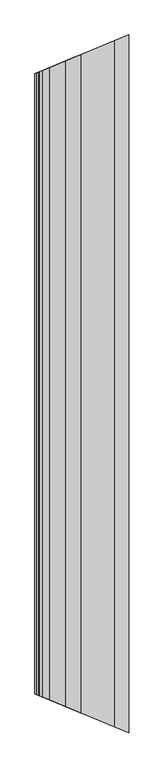
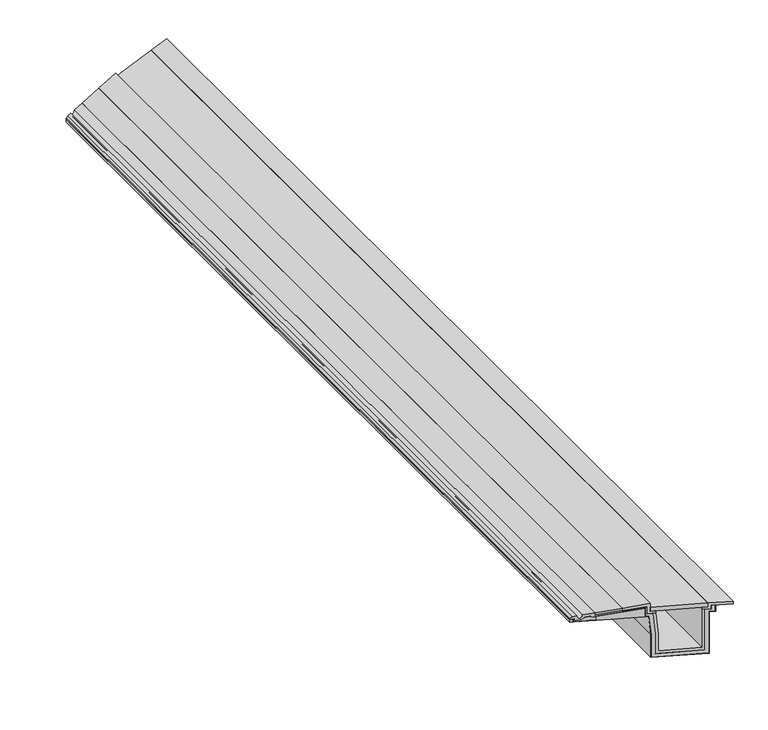
"""IFC4 building model written with IfcOpenShell, lengths in millimetres: proxy geometry."""

from ifc_helpers import new_model, si_unit, frame, origin, place, context, project, spatial, polyline, ellipse_curve, outline, extrude, faceted_brep, source, transform, mapped, element, save
from ifc_brep_helpers import plane_surface, revolved_surface, advanced_brep


def generic_models_f476f737(model_context):
    return source(origin(), model_context, "Body", "SolidModel", [
        faceted_brep([(15.0, 2456.2132034, 263.0859585), (15.0, 2456.2132034, 245.682064), (0.0, 2450.0, 245.682064), (0.0, 2450.0, 261.2441901), (15.0, -2456.2132034, 245.682064), (15.0, -2456.2132034, 263.0859585), (0.0, -2450.0, 261.2441901), (0.0, -2450.0, 245.682064)], [[[0, 1, 2, 3]], [[4, 5, 6, 7]], [[0, 5, 4, 1]], [[1, 4, 7, 2]], [[2, 7, 6, 3]], [[5, 0, 3, 6]]]),
        faceted_brep([(116.0, 2498.0487732, 290.5998466), (237.7, 2548.4585638, 305.5427276), (237.7, 2548.4585638, 293.4526097), (116.0, 2498.0487732, 278.5097287), (237.7, -2548.4585638, 305.5427276), (116.0, -2498.0487732, 290.5998466), (116.0, -2498.0487732, 278.5097287), (237.7, -2548.4585638, 293.4526097)], [[[0, 1, 2, 3]], [[4, 5, 6, 7]], [[0, 5, 4, 1]], [[1, 4, 7, 2]], [[2, 7, 6, 3]], [[5, 0, 3, 6]]]),
        extrude(outline(polyline([(625.0, 2708.8834765), (625.0, -2708.8834765), (363.5893809, -2600.6036527), (363.5893809, 2600.6036527), (625.0, 2708.8834765)])), frame((0.0, 0.0, 276.0), z_axis=(0.0, 0.0, 1.0), x_axis=(1.0, 0.0, 0.0)), (0.0, 0.0, 1.0), 22.0),
        faceted_brep([(339.5893809, 2590.6625272, 295.8879544), (339.5893809, -2590.6625272, 295.8879544), (339.5893809, -2590.6625272, 245.682064), (339.5893809, 2590.6625272, 245.682064), (120.5, -2499.9127343, 245.682064), (120.5, 2499.9127343, 245.682064), (120.5, -2499.9127343, 268.9871609), (120.5, 2499.9127343, 268.9871609)], [[[0, 1, 2, 3]], [[3, 2, 4, 5]], [[5, 4, 6, 7]], [[1, 0, 7, 6]], [[0, 3, 5, 7]], [[2, 1, 6, 4]]]),
        faceted_brep([(20.0, 2458.2842712, 246.682064), (20.0, -2458.2842712, 246.682064), (119.5, -2499.4985207, 246.682064), (119.5, 2499.4985207, 246.682064), (119.5, 2499.4985207, 269.8718862), (340.5893809, 2591.0767408, 297.0182488), (340.5893809, 2591.0767408, 246.682064), (357.8456292, 2598.2245128, 246.682064), (368.0, 2602.430591, 134.5539912), (368.0, 2602.430591, 1.0), (632.0, 2711.7829714, 1.0), (632.0, 2711.7829714, 246.682064), (660.0, 2723.3809512, 246.682064), (660.0, 2723.3809512, 278.0), (661.0, 2723.7951647, 278.0), (661.0, 2723.7951647, 245.682064), (633.0, 2712.197185, 245.682064), (633.0, 2712.197185, 0.0), (367.0, 2602.0163774, 0.0), (367.0, 2602.0163774, 134.5088034), (356.9320974, 2597.8461156, 245.682064), (339.5893809, 2590.6625272, 245.682064), (339.5893809, 2590.6625272, 295.8879544), (120.5, 2499.9127343, 268.9871609), (120.5, 2499.9127343, 245.682064), (20.0, 2458.2842712, 245.682064), (20.0, -2458.2842712, 245.682064), (120.5, -2499.9127343, 245.682064), (120.5, -2499.9127343, 268.9871609), (339.5893809, -2590.6625272, 295.8879544), (339.5893809, -2590.6625272, 245.682064), (356.9320974, -2597.8461156, 245.682064), (367.0, -2602.0163774, 134.5088034), (367.0, -2602.0163774, 0.0), (633.0, -2712.197185, 0.0), (633.0, -2712.197185, 245.682064), (661.0, -2723.7951647, 245.682064), (661.0, -2723.7951647, 278.0), (660.0, -2723.3809512, 278.0), (660.0, -2723.3809512, 246.682064), (632.0, -2711.7829714, 246.682064), (632.0, -2711.7829714, 1.0), (368.0, -2602.430591, 1.0), (368.0, -2602.430591, 134.5539912), (357.8456292, -2598.2245128, 246.682064), (340.5893809, -2591.0767408, 246.682064), (340.5893809, -2591.0767408, 297.0182488), (119.5, -2499.4985207, 269.8718862)], [[[0, 1, 2, 3]], [[0, 3, 4, 5, 6, 7, 8, 9, 10, 11, 12, 13, 14, 15, 16, 17, 18, 19, 20, 21, 22, 23, 24, 25]], [[2, 1, 26, 27, 28, 29, 30, 31, 32, 33, 34, 35, 36, 37, 38, 39, 40, 41, 42, 43, 44, 45, 46, 47]], [[3, 2, 47, 4]], [[4, 47, 46, 5]], [[5, 46, 45, 6]], [[6, 45, 44, 7]], [[20, 31, 30, 21]], [[21, 30, 29, 22]], [[22, 29, 28, 23]], [[23, 28, 27, 24]], [[24, 27, 26, 25]], [[1, 0, 25, 26]], [[9, 42, 41, 10]], [[17, 34, 33, 18]], [[18, 33, 32, 19]], [[10, 41, 40, 11]], [[11, 40, 39, 12]], [[34, 17, 16, 35]], [[7, 44, 43, 8]], [[42, 9, 8, 43]], [[31, 20, 19, 32]], [[12, 39, 38, 13]], [[13, 38, 37, 14]], [[14, 37, 36, 15]], [[35, 16, 15, 36]]]),
        faceted_brep([(348.5893809, 2594.3904493, 304.0455842), (348.5893809, 2594.3904493, 262.0), (376.5402742, 2605.9680884, 262.0), (388.0, 2610.7148622, 135.4577467), (388.0, 2610.7148622, 21.0), (612.0, 2703.4987002, 21.0), (612.0, 2703.4987002, 262.0), (640.0, 2715.0966799, 262.0), (640.0, 2715.0966799, 283.0), (661.0, 2723.7951647, 283.0), (661.0, 2723.7951647, 278.0), (660.0, 2723.3809512, 278.0), (660.0, 2723.3809512, 246.682064), (632.0, 2711.7829714, 246.682064), (632.0, 2711.7829714, 1.0), (368.0, 2602.430591, 1.0), (368.0, 2602.430591, 134.5539912), (357.8456292, 2598.2245128, 246.682064), (340.5893809, 2591.0767408, 246.682064), (340.5893809, 2591.0767408, 297.0182488), (119.5, 2499.4985207, 269.8718862), (119.5, 2499.4985207, 246.682064), (20.0, 2458.2842712, 246.682064), (20.0, 2458.2842712, 245.682064), (15.0, 2456.2132034, 245.682064), (15.0, 2456.2132034, 263.0859585), (20.0, 2458.2842712, 263.6998813), (20.0, 2458.2842712, 252.5040499), (55.5685701, 2473.0172554, 256.6579811), (67.5834837, 2477.9939956, 269.5423985), (93.3955598, 2488.6857075, 272.7117229), (104.5, 2493.2853173, 263.5998466), (116.0, 2498.0487732, 263.5998466), (116.0, 2498.0487732, 278.5097287), (237.7, 2548.4585638, 293.4526097), (237.7, 2548.4585638, 290.4300803), (348.5893809, -2594.3904493, 262.0), (348.5893809, -2594.3904493, 304.0455842), (237.7, -2548.4585638, 290.4300803), (237.7, -2548.4585638, 293.4526097), (116.0, -2498.0487732, 278.5097287), (116.0, -2498.0487732, 263.5998466), (104.5, -2493.2853173, 263.5998466), (93.3955598, -2488.6857075, 272.7117229), (67.5834837, -2477.9939956, 269.5423985), (55.5685701, -2473.0172554, 256.6579811), (20.0, -2458.2842712, 252.5040499), (20.0, -2458.2842712, 263.6998813), (15.0, -2456.2132034, 263.0859585), (15.0, -2456.2132034, 245.682064), (20.0, -2458.2842712, 245.682064), (20.0, -2458.2842712, 246.682064), (119.5, -2499.4985207, 246.682064), (119.5, -2499.4985207, 269.8718862), (340.5893809, -2591.0767408, 297.0182488), (340.5893809, -2591.0767408, 246.682064), (357.8456292, -2598.2245128, 246.682064), (368.0, -2602.430591, 134.5539912), (368.0, -2602.430591, 1.0), (632.0, -2711.7829714, 1.0), (632.0, -2711.7829714, 246.682064), (660.0, -2723.3809512, 246.682064), (660.0, -2723.3809512, 278.0), (661.0, -2723.7951647, 278.0), (661.0, -2723.7951647, 283.0), (640.0, -2715.0966799, 283.0), (640.0, -2715.0966799, 262.0), (612.0, -2703.4987002, 262.0), (612.0, -2703.4987002, 21.0), (388.0, -2610.7148622, 21.0), (388.0, -2610.7148622, 135.4577467), (376.5402742, -2605.9680884, 262.0)], [[[0, 1, 2, 3, 4, 5, 6, 7, 8, 9, 10, 11, 12, 13, 14, 15, 16, 17, 18, 19, 20, 21, 22, 23, 24, 25, 26, 27, 28, 29, 30, 31, 32, 33, 34, 35]], [[36, 37, 38, 39, 40, 41, 42, 43, 44, 45, 46, 47, 48, 49, 50, 51, 52, 53, 54, 55, 56, 57, 58, 59, 60, 61, 62, 63, 64, 65, 66, 67, 68, 69, 70, 71]], [[0, 37, 36, 1]], [[1, 36, 71, 2]], [[17, 56, 55, 18]], [[18, 55, 54, 19]], [[19, 54, 53, 20]], [[20, 53, 52, 21]], [[24, 49, 48, 25]], [[25, 48, 47, 26]], [[26, 47, 46, 27]], [[27, 46, 45, 28]], [[28, 45, 44, 29]], [[29, 44, 43, 30]], [[30, 43, 42, 31]], [[31, 42, 41, 32]], [[32, 41, 40, 33]], [[37, 0, 35, 38]], [[38, 35, 34, 39]], [[4, 69, 68, 5]], [[5, 68, 67, 6]], [[6, 67, 66, 7]], [[13, 60, 59, 14]], [[14, 59, 58, 15]], [[21, 52, 51, 22]], [[2, 71, 70, 3]], [[69, 4, 3, 70]], [[15, 58, 57, 16]], [[56, 17, 16, 57]], [[39, 34, 33, 40]], [[7, 66, 65, 8]], [[8, 65, 64, 9]], [[11, 62, 61, 12]], [[60, 13, 12, 61]], [[9, 64, 63, 10]], [[62, 11, 10, 63]], [[22, 51, 50, 23]], [[49, 24, 23, 50]]]),
        faceted_brep([(400.0, 2615.6854249, 36.0), (600.0, 2698.5281374, 36.0), (600.0, 2698.5281374, 262.0), (612.0, 2703.4987002, 262.0), (612.0, 2703.4987002, 21.0), (388.0, 2610.7148622, 21.0), (388.0, 2610.7148622, 135.4577467), (376.5402742, 2605.9680884, 262.0), (388.5893809, 2610.9589918, 262.0), (400.0, 2615.6854249, 136.0), (600.0, -2698.5281374, 36.0), (400.0, -2615.6854249, 36.0), (400.0, -2615.6854249, 136.0), (388.5893809, -2610.9589918, 262.0), (376.5402742, -2605.9680884, 262.0), (388.0, -2610.7148622, 135.4577467), (388.0, -2610.7148622, 21.0), (612.0, -2703.4987002, 21.0), (612.0, -2703.4987002, 262.0), (600.0, -2698.5281374, 262.0)], [[[0, 1, 2, 3, 4, 5, 6, 7, 8, 9]], [[10, 11, 12, 13, 14, 15, 16, 17, 18, 19]], [[0, 11, 10, 1]], [[1, 10, 19, 2]], [[2, 19, 18, 3]], [[4, 17, 16, 5]], [[5, 16, 15, 6]], [[6, 15, 14, 7]], [[7, 14, 13, 8]], [[8, 13, 12, 9]], [[11, 0, 9, 12]], [[17, 4, 3, 18]]]),
        advanced_brep(
        [(0.0, 2450.0, 261.2441901), (0.0, -2450.0, 261.2441901), (0.0, -2450.0, 269.8936236), (0.0, 2450.0, 269.8936236), (9.7094451, 2454.0217838, 277.5490075), (32.0, 2463.254834, 280.2859435), (37.8105267, 2465.6616329, 264.554064), (57.0, 2473.6101731, 283.3555575), (116.0, 2498.0487732, 290.5998466), (116.0, 2498.0487732, 263.5998466), (104.5, 2493.2853173, 263.5998466), (93.3955598, 2488.6857075, 272.7117229), (67.5834837, 2477.9939956, 269.5423985), (55.5685701, 2473.0172554, 256.6579811), (20.0, 2458.2842712, 252.5040499), (20.0, 2458.2842712, 263.6998813), (20.0, -2458.2842712, 263.6998813), (20.0, -2458.2842712, 252.5040499), (55.5685701, -2473.0172554, 256.6579811), (67.5834837, -2477.9939956, 269.5423985), (93.3955598, -2488.6857075, 272.7117229), (104.5, -2493.2853173, 263.5998466), (116.0, -2498.0487732, 263.5998466), (116.0, -2498.0487732, 290.5998466), (57.0, -2473.6101731, 283.3555575), (37.8105267, -2465.6616329, 264.554064), (32.0, -2463.254834, 280.2859435), (9.7094451, -2454.0217838, 277.5490075)],
        [
            (0, 1),
            (1, 2),
            (2, 3),
            (3, 0),
            (3, 4),
            (4, 5),
            (5, 6, ellipse_curve(frame((55.4488943, 2472.9676841, 280.0077377), z_axis=(0.3826834323650892, -0.9238795325112871, 0.0), x_axis=(-0.9238795325112871, -0.38268343236508895, 0.0)), 25.3826866, 23.4505447)),
            (6, 7, ellipse_curve(frame((37.8886508, 2465.693993, 283.6678042), z_axis=(0.3826834323650892, -0.9238795325112871, 0.0), x_axis=(-0.9238795325112871, -0.38268343236508895, 0.0)), 20.6887361, 19.1138998)),
            (7, 8),
            (8, 9),
            (9, 10),
            (10, 11),
            (11, 12),
            (12, 13),
            (13, 14),
            (14, 15),
            (15, 0),
            (1, 16),
            (16, 17),
            (17, 18),
            (18, 19),
            (19, 20),
            (20, 21),
            (21, 22),
            (22, 23),
            (23, 24),
            (24, 25, ellipse_curve(frame((37.8886508, -2465.693993, 283.6678042), z_axis=(0.3826834323650892, 0.9238795325112871, 0.0), x_axis=(0.9238795325112871, -0.38268343236508867, 0.0)), 20.6887361, 19.1138998)),
            (25, 26, ellipse_curve(frame((55.4488943, -2472.9676841, 280.0077377), z_axis=(0.3826834323650892, 0.9238795325112871, 0.0), x_axis=(0.9238795325112871, -0.38268343236508867, 0.0)), 25.3826866, 23.4505447)),
            (26, 27),
            (27, 2),
            (27, 4),
            (26, 5),
            (25, 6),
            (24, 7),
            (23, 8),
            (22, 9),
            (21, 10),
            (20, 11),
            (19, 12),
            (18, 13),
            (17, 14),
            (16, 15),
        ],
        [
            plane_surface(frame((0.0, 2756.5180362, 261.2441901), z_axis=(-1.0, 0.0, 0.0), x_axis=(0.0, -1.0, 0.0))),
            plane_surface(frame((0.0, 2450.0, 321.0), z_axis=(-0.3826834323650892, 0.9238795325112871, 0.0), x_axis=(0.0, 0.0, -1.0))),
            plane_surface(frame((740.0, -2756.5180362, 321.0), z_axis=(-0.3826834323650892, -0.9238795325112871, 0.0), x_axis=(0.0, 0.0, -1.0))),
            plane_surface(frame((0.0, 2756.5180362, 269.8936236), z_axis=(-0.6191475432586214, 0.0, 0.7852746778527966), x_axis=(0.0, -1.0, 0.0))),
            plane_surface(frame((9.7094451, 2756.5180362, 277.5490075), z_axis=(-0.12186934340514402, 0.0, 0.9925461516413224), x_axis=(0.0, -1.0, 0.0))),
            revolved_surface(polyline([(78.899439, -2482.6812177307356, 280.0077377), (78.899439, 2482.6812177307356, 280.0077377)]), (55.4488943, 2756.5180362, 280.0077377), (0.0, -1.0, 0.0)),
            revolved_surface(polyline([(57.0025506, -2473.6112295420435, 283.6678042), (57.0025506, 2473.6112295420435, 283.6678042)]), (37.8886508, 2756.5180362, 283.6678042), (0.0, -1.0, 0.0)),
            plane_surface(frame((57.0, 2756.5180362, 283.3555575), z_axis=(-0.12186934340514415, 0.0, 0.9925461516413225), x_axis=(0.0, -1.0, 0.0))),
            plane_surface(frame((116.0, 2756.5180362, 290.5998466), z_axis=(1.0, 0.0, 0.0), x_axis=(0.0, -1.0, 0.0))),
            plane_surface(frame((116.0, 2756.5180362, 263.5998466), z_axis=(0.0, 0.0, -1.0), x_axis=(0.0, -1.0, 0.0))),
            plane_surface(frame((104.5, 2756.5180362, 263.5998466), z_axis=(-0.63433911210237, 0.0, -0.7730549080480486), x_axis=(0.0, -1.0, 0.0))),
            plane_surface(frame((93.3955598, 2756.5180362, 272.7117229), z_axis=(0.12186934340514435, 0.0, -0.9925461516413224), x_axis=(0.0, -1.0, 0.0))),
            plane_surface(frame((67.5834837, 2756.5180362, 269.5423985), z_axis=(0.7313537016191691, 0.0, -0.6819983600624999), x_axis=(0.0, -1.0, 0.0))),
            plane_surface(frame((55.5685701, 2756.5180362, 256.6579811), z_axis=(0.11599818969749838, 0.0, -0.9932494248610987), x_axis=(0.0, -1.0, 0.0))),
            plane_surface(frame((20.0, 2756.5180362, 252.5040499), z_axis=(-1.0, 0.0, 0.0), x_axis=(0.0, -1.0, 0.0))),
            plane_surface(frame((20.0, 2756.5180362, 263.6998813), z_axis=(0.1218693434051437, 0.0, -0.9925461516413225), x_axis=(0.0, -1.0, 0.0))),
        ],
        [
            (0, [[1, 2, 3, 4]]),
            (1, [[-4, 5, 6, 7, 8, 9, 10, 11, 12, 13, 14, 15, 16, 17]]),
            (2, [[-2, 18, 19, 20, 21, 22, 23, 24, 25, 26, 27, 28, 29, 30]]),
            (3, [[-3, -30, 31, -5]]),
            (4, [[-31, -29, 32, -6]]),
            (5, [[-32, -28, 33, -7]]),
            (6, [[-33, -27, 34, -8]]),
            (7, [[-34, -26, 35, -9]]),
            (8, [[-35, -25, 36, -10]]),
            (9, [[-36, -24, 37, -11]]),
            (10, [[-37, -23, 38, -12]]),
            (11, [[-38, -22, 39, -13]]),
            (12, [[-39, -21, 40, -14]]),
            (13, [[-40, -20, 41, -15]]),
            (14, [[-41, -19, 42, -16]]),
            (15, [[-1, -17, -42, -18]]),
        ],
    ),
        faceted_brep([(237.7, 2548.4585638, 305.5427276), (363.5893809, 2600.6036527, 321.0), (363.5893809, 2600.6036527, 276.0), (388.5893809, 2610.9589918, 276.0), (388.5893809, 2610.9589918, 262.0), (348.5893809, 2594.3904493, 262.0), (348.5893809, 2594.3904493, 304.0455842), (237.7, 2548.4585638, 290.4300803), (363.5893809, -2600.6036527, 321.0), (237.7, -2548.4585638, 305.5427276), (237.7, -2548.4585638, 290.4300803), (348.5893809, -2594.3904493, 304.0455842), (348.5893809, -2594.3904493, 262.0), (388.5893809, -2610.9589918, 262.0), (388.5893809, -2610.9589918, 276.0), (363.5893809, -2600.6036527, 276.0)], [[[0, 1, 2, 3, 4, 5, 6, 7]], [[8, 9, 10, 11, 12, 13, 14, 15]], [[0, 9, 8, 1]], [[1, 8, 15, 2]], [[2, 15, 14, 3]], [[3, 14, 13, 4]], [[4, 13, 12, 5]], [[5, 12, 11, 6]], [[6, 11, 10, 7]], [[9, 0, 7, 10]]]),
        faceted_brep([(625.0, 2708.8834765, 276.0), (625.0, 2708.8834765, 298.0), (740.0, 2756.5180362, 298.0), (740.0, 2756.5180362, 283.0), (640.0, 2715.0966799, 283.0), (640.0, 2715.0966799, 262.0), (600.0, 2698.5281374, 262.0), (600.0, 2698.5281374, 276.0), (625.0, -2708.8834765, 298.0), (625.0, -2708.8834765, 276.0), (600.0, -2698.5281374, 276.0), (600.0, -2698.5281374, 262.0), (640.0, -2715.0966799, 262.0), (640.0, -2715.0966799, 283.0), (740.0, -2756.5180362, 283.0), (740.0, -2756.5180362, 298.0)], [[[0, 1, 2, 3, 4, 5, 6, 7]], [[8, 9, 10, 11, 12, 13, 14, 15]], [[0, 9, 8, 1]], [[15, 2, 1, 8]], [[2, 15, 14, 3]], [[3, 14, 13, 4]], [[4, 13, 12, 5]], [[5, 12, 11, 6]], [[6, 11, 10, 7]], [[9, 0, 7, 10]]]),
    ])


if __name__ == "__main__":
    model = new_model("IFC4")
    model_context = context("Model", 3, world=origin())
    ifc_project = project(units=[si_unit("LENGTHUNIT", "METRE", prefix="MILLI")], contexts=[model_context])
    site = spatial("IfcSite", under=ifc_project)
    building = spatial("IfcBuilding", under=site)
    placement = place(None, origin())
    generic_models_shape = generic_models_f476f737(model_context)
    element("IfcBuildingElementProxy", 1, Name="Generic Models", at=placement, inside=building, context=model_context, shape_type="MappedRepresentation", body=[
        mapped(generic_models_shape, transform((0.0, 0.0, 0.0), x_axis=(1.0, 0.0, 0.0), y_axis=(0.0, 1.0, 0.0), z_axis=(0.0, 0.0, 1.0))),
    ])
    save(model, "model.ifc")
